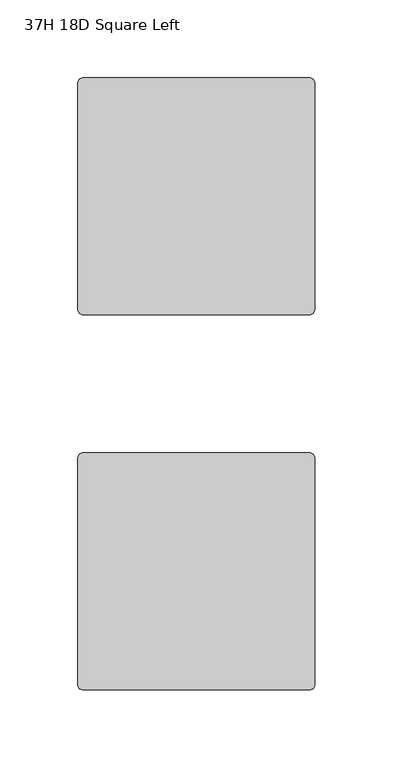
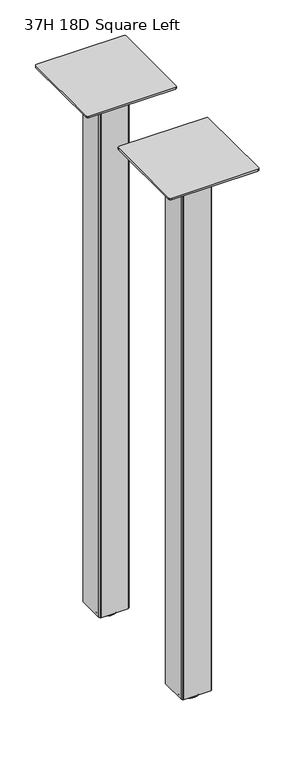
"""IFC4 building model written with IfcOpenShell, lengths in millimetres: furniture geometry, 37H 18D Square Left."""

from ifc_helpers import new_model, si_unit, frame, origin, place, context, project, spatial, polyline, circle_curve, outline, extrude, source, transform, mapped, element, save
from ifc_brep_helpers import plane_surface, cylinder_surface, revolved_surface, advanced_brep


def furniture_37h_18d_square_left_2cfb2e53(model_context):
    return source(origin(), model_context, "Body", "SolidModel", [
        extrude(outline(polyline([(82.5508751, -130.809957), (82.5508751, -85.0899643), (83.2948249, -83.2939256), (85.0907849, -82.550003), (130.8109622, -82.550003), (132.6069222, -83.2939256), (133.350872, -85.0899643), (133.350872, -130.809957), (132.6069222, -132.606032), (130.8107429, -133.3500091), (85.0910042, -133.3500091), (83.2948249, -132.606032), (82.5508751, -130.809957)])), frame((0.0, 0.0, 10.1608624), z_axis=(0.0, 0.0, 1.0), x_axis=(1.0, 0.0, 0.0)), (0.0, 0.0, 1.0), 939.292),
        extrude(outline(polyline([(82.5508751, -372.1099865), (82.5508751, -326.3899938), (83.2948249, -324.5939552), (85.0907849, -323.8500326), (130.8109622, -323.8500326), (132.6069222, -324.5939552), (133.350872, -326.3899938), (133.350872, -372.1099865), (132.6069222, -373.9060615), (130.8107429, -374.6500386), (85.0910042, -374.6500386), (83.2948249, -373.9060615), (82.5508751, -372.1099865)])), frame((0.0, 0.0, 10.1608624), z_axis=(0.0, 0.0, 1.0), x_axis=(1.0, 0.0, 0.0)), (0.0, 0.0, 1.0), 939.292),
        extrude(outline(polyline([(31.7508849, -276.0980259), (32.6436243, -273.9427636), (34.7988843, -273.0500265), (181.102881, -273.0500265), (183.2581455, -273.9427636), (184.1508781, -276.0980259), (184.1508781, -422.4020271), (183.2581455, -424.5572917), (181.1029194, -425.4500083), (34.7988459, -425.4500083), (32.6436243, -424.5572917), (31.7508849, -422.4020271), (31.7508849, -276.0980259)])), frame((0.0, 0.0, 949.4528623), z_axis=(0.0, 0.0, 1.0), x_axis=(1.0, 0.0, 0.0)), (0.0, 0.0, 1.0), 3.048),
        advanced_brep(
        [(107.9508872, -349.2500356, 11.1759893), (119.1268856, -349.2500356, 11.1759893), (96.7748888, -349.2500356, 11.1759893), (95.2064298, -349.2500356, 0.0), (120.6953446, -349.2500356, 0.0), (107.9508872, -349.2500356, 0.0), (92.111765, -349.2500356, 0.4083326), (123.7900094, -349.2500356, 0.4083326), (90.7852289, -349.2500356, 2.0055462), (125.1165454, -349.2500356, 2.0055462), (90.7852289, -349.2500356, 4.3444296), (125.1165454, -349.2500356, 4.3444296), (92.111765, -349.2500356, 5.9416431), (123.7900094, -349.2500356, 5.9416431), (93.6849338, -349.2500356, 6.3499758), (122.2168405, -349.2500356, 6.3499758), (96.7748888, -349.2500356, 6.3499758), (119.1268856, -349.2500356, 6.3499758)],
        [
            (0, 1),
            (1, 2, circle_curve(frame((107.9508872, -349.2500356, 11.1759893), z_axis=(0.0, 0.0, 1.0), x_axis=(1.0, 0.0, 0.0)), 11.1759984)),
            (2, 0),
            (2, 1, circle_curve(frame((107.9508872, -349.2500356, 11.1759893), z_axis=(0.0, 0.0, 1.0), x_axis=(1.0, 0.0, 0.0)), 11.1759984)),
            (3, 4, circle_curve(frame((107.9508872, -349.2500356, 0.0), z_axis=(0.0, 0.0, -1.0), x_axis=(1.0, 0.0, 0.0)), 12.7444574)),
            (4, 5),
            (5, 3),
            (4, 3, circle_curve(frame((107.9508872, -349.2500356, 0.0), z_axis=(0.0, 0.0, -1.0), x_axis=(1.0, 0.0, 0.0)), 12.7444574)),
            (6, 7, circle_curve(frame((107.9508872, -349.2500356, 0.4083326), z_axis=(0.0, 0.0, -1.0), x_axis=(1.0, 0.0, 0.0)), 15.8391222)),
            (7, 4),
            (3, 6),
            (7, 6, circle_curve(frame((107.9508872, -349.2500356, 0.4083326), z_axis=(0.0, 0.0, -1.0), x_axis=(1.0, 0.0, 0.0)), 15.8391222)),
            (8, 9, circle_curve(frame((107.9508872, -349.2500356, 2.0055462), z_axis=(0.0, 0.0, -1.0), x_axis=(1.0, 0.0, 0.0)), 17.1656583)),
            (9, 7),
            (6, 8),
            (9, 8, circle_curve(frame((107.9508872, -349.2500356, 2.0055462), z_axis=(0.0, 0.0, -1.0), x_axis=(1.0, 0.0, 0.0)), 17.1656583)),
            (10, 11, circle_curve(frame((107.9508872, -349.2500356, 4.3444296), z_axis=(0.0, 0.0, -1.0), x_axis=(1.0, 0.0, 0.0)), 17.1656583)),
            (11, 9),
            (8, 10),
            (11, 10, circle_curve(frame((107.9508872, -349.2500356, 4.3444296), z_axis=(0.0, 0.0, -1.0), x_axis=(1.0, 0.0, 0.0)), 17.1656583)),
            (12, 13, circle_curve(frame((107.9508872, -349.2500356, 5.9416431), z_axis=(0.0, 0.0, -1.0), x_axis=(1.0, 0.0, 0.0)), 15.8391222)),
            (13, 11),
            (10, 12),
            (13, 12, circle_curve(frame((107.9508872, -349.2500356, 5.9416431), z_axis=(0.0, 0.0, -1.0), x_axis=(1.0, 0.0, 0.0)), 15.8391222)),
            (14, 15, circle_curve(frame((107.9508872, -349.2500356, 6.3499758), z_axis=(0.0, 0.0, -1.0), x_axis=(1.0, 0.0, 0.0)), 14.2659534)),
            (15, 13),
            (12, 14),
            (15, 14, circle_curve(frame((107.9508872, -349.2500356, 6.3499758), z_axis=(0.0, 0.0, -1.0), x_axis=(1.0, 0.0, 0.0)), 14.2659534)),
            (16, 17, circle_curve(frame((107.9508872, -349.2500356, 6.3499758), z_axis=(0.0, 0.0, -1.0), x_axis=(1.0, 0.0, 0.0)), 11.1759984)),
            (17, 15),
            (14, 16),
            (17, 16, circle_curve(frame((107.9508872, -349.2500356, 6.3499758), z_axis=(0.0, 0.0, -1.0), x_axis=(1.0, 0.0, 0.0)), 11.1759984)),
            (1, 17),
            (16, 2),
        ],
        [
            plane_surface(frame((107.9508872, -349.2500356, 11.1759893), z_axis=(0.0, 0.0, 1.0), x_axis=(1.0, 0.0, 0.0))),
            plane_surface(frame((107.9508872, -349.2500356, 0.0), z_axis=(0.0, 0.0, -1.0), x_axis=(1.0, 0.0, 0.0))),
            revolved_surface(polyline([(120.6953446, -349.2500356, 0.0), (123.7900094, -349.2500356, 0.4083326)]), (107.9508872, -349.2500356, 11.1759893), (0.0, 0.0, 1.0)),
            revolved_surface(polyline([(123.7900094, -349.2500356, 0.4083326), (125.1165454, -349.2500356, 2.0055462)]), (107.9508872, -349.2500356, 11.1759893), (0.0, 0.0, 1.0)),
            cylinder_surface(frame((107.9508872, -349.2500356, 11.1759893), z_axis=(0.0, 0.0, 1.0), x_axis=(1.0, 0.0, 0.0)), 17.1656583),
            revolved_surface(polyline([(125.1165454, -349.2500356, 4.3444296), (123.7900094, -349.2500356, 5.9416431)]), (107.9508872, -349.2500356, 11.1759893), (0.0, 0.0, 1.0)),
            revolved_surface(polyline([(123.7900094, -349.2500356, 5.9416431), (122.2168405, -349.2500356, 6.3499758)]), (107.9508872, -349.2500356, 11.1759893), (0.0, 0.0, 1.0)),
            plane_surface(frame((107.9508872, -349.2500356, 6.3499758), z_axis=(0.0, 0.0, 1.0), x_axis=(1.0, 0.0, 0.0))),
            cylinder_surface(frame((107.9508872, -349.2500356, 11.1759893), z_axis=(0.0, 0.0, 1.0), x_axis=(1.0, 0.0, 0.0)), 11.1759984),
        ],
        [
            (0, [[1, 2, 3]]),
            (0, [[-3, 4, -1]]),
            (1, [[5, 6, 7]]),
            (1, [[8, -7, -6]]),
            (2, [[9, 10, -5, 11]]),
            (2, [[12, -11, -8, -10]]),
            (3, [[13, 14, -9, 15]]),
            (3, [[16, -15, -12, -14]]),
            (4, [[17, 18, -13, 19]]),
            (4, [[20, -19, -16, -18]]),
            (5, [[21, 22, -17, 23]]),
            (5, [[24, -23, -20, -22]]),
            (6, [[25, 26, -21, 27]]),
            (6, [[28, -27, -24, -26]]),
            (7, [[29, 30, -25, 31]]),
            (7, [[32, -31, -28, -30]]),
            (8, [[-2, 33, -29, 34]]),
            (8, [[-4, -34, -32, -33]]),
        ],
    ),
        advanced_brep(
        [(107.9508872, -107.9500061, 11.1759893), (119.1268856, -107.9500061, 11.1759893), (96.7748888, -107.9500061, 11.1759893), (95.2064298, -107.9500061, 0.0), (120.6953446, -107.9500061, 0.0), (107.9508872, -107.9500061, 0.0), (92.111765, -107.9500061, 0.4083326), (123.7900094, -107.9500061, 0.4083326), (90.7852289, -107.9500061, 2.0055462), (125.1165454, -107.9500061, 2.0055462), (90.7852289, -107.9500061, 4.3444296), (125.1165454, -107.9500061, 4.3444296), (92.111765, -107.9500061, 5.9416431), (123.7900094, -107.9500061, 5.9416431), (93.6849338, -107.9500061, 6.3499758), (122.2168405, -107.9500061, 6.3499758), (96.7748888, -107.9500061, 6.3499758), (119.1268856, -107.9500061, 6.3499758)],
        [
            (0, 1),
            (1, 2, circle_curve(frame((107.9508872, -107.9500061, 11.1759893), z_axis=(0.0, 0.0, 1.0), x_axis=(1.0, 0.0, 0.0)), 11.1759984)),
            (2, 0),
            (2, 1, circle_curve(frame((107.9508872, -107.9500061, 11.1759893), z_axis=(0.0, 0.0, 1.0), x_axis=(1.0, 0.0, 0.0)), 11.1759984)),
            (3, 4, circle_curve(frame((107.9508872, -107.9500061, 0.0), z_axis=(0.0, 0.0, -1.0), x_axis=(1.0, 0.0, 0.0)), 12.7444574)),
            (4, 5),
            (5, 3),
            (4, 3, circle_curve(frame((107.9508872, -107.9500061, 0.0), z_axis=(0.0, 0.0, -1.0), x_axis=(1.0, 0.0, 0.0)), 12.7444574)),
            (6, 7, circle_curve(frame((107.9508872, -107.9500061, 0.4083326), z_axis=(0.0, 0.0, -1.0), x_axis=(1.0, 0.0, 0.0)), 15.8391222)),
            (7, 4),
            (3, 6),
            (7, 6, circle_curve(frame((107.9508872, -107.9500061, 0.4083326), z_axis=(0.0, 0.0, -1.0), x_axis=(1.0, 0.0, 0.0)), 15.8391222)),
            (8, 9, circle_curve(frame((107.9508872, -107.9500061, 2.0055462), z_axis=(0.0, 0.0, -1.0), x_axis=(1.0, 0.0, 0.0)), 17.1656583)),
            (9, 7),
            (6, 8),
            (9, 8, circle_curve(frame((107.9508872, -107.9500061, 2.0055462), z_axis=(0.0, 0.0, -1.0), x_axis=(1.0, 0.0, 0.0)), 17.1656583)),
            (10, 11, circle_curve(frame((107.9508872, -107.9500061, 4.3444296), z_axis=(0.0, 0.0, -1.0), x_axis=(1.0, 0.0, 0.0)), 17.1656583)),
            (11, 9),
            (8, 10),
            (11, 10, circle_curve(frame((107.9508872, -107.9500061, 4.3444296), z_axis=(0.0, 0.0, -1.0), x_axis=(1.0, 0.0, 0.0)), 17.1656583)),
            (12, 13, circle_curve(frame((107.9508872, -107.9500061, 5.9416431), z_axis=(0.0, 0.0, -1.0), x_axis=(1.0, 0.0, 0.0)), 15.8391222)),
            (13, 11),
            (10, 12),
            (13, 12, circle_curve(frame((107.9508872, -107.9500061, 5.9416431), z_axis=(0.0, 0.0, -1.0), x_axis=(1.0, 0.0, 0.0)), 15.8391222)),
            (14, 15, circle_curve(frame((107.9508872, -107.9500061, 6.3499758), z_axis=(0.0, 0.0, -1.0), x_axis=(1.0, 0.0, 0.0)), 14.2659534)),
            (15, 13),
            (12, 14),
            (15, 14, circle_curve(frame((107.9508872, -107.9500061, 6.3499758), z_axis=(0.0, 0.0, -1.0), x_axis=(1.0, 0.0, 0.0)), 14.2659534)),
            (16, 17, circle_curve(frame((107.9508872, -107.9500061, 6.3499758), z_axis=(0.0, 0.0, -1.0), x_axis=(1.0, 0.0, 0.0)), 11.1759984)),
            (17, 15),
            (14, 16),
            (17, 16, circle_curve(frame((107.9508872, -107.9500061, 6.3499758), z_axis=(0.0, 0.0, -1.0), x_axis=(1.0, 0.0, 0.0)), 11.1759984)),
            (1, 17),
            (16, 2),
        ],
        [
            plane_surface(frame((107.9508872, -107.9500061, 11.1759893), z_axis=(0.0, 0.0, 1.0), x_axis=(1.0, 0.0, 0.0))),
            plane_surface(frame((107.9508872, -107.9500061, 0.0), z_axis=(0.0, 0.0, -1.0), x_axis=(1.0, 0.0, 0.0))),
            revolved_surface(polyline([(120.6953446, -107.9500061, 0.0), (123.7900094, -107.9500061, 0.4083326)]), (107.9508872, -107.9500061, 11.1759893), (0.0, 0.0, 1.0)),
            revolved_surface(polyline([(123.7900094, -107.9500061, 0.4083326), (125.1165454, -107.9500061, 2.0055462)]), (107.9508872, -107.9500061, 11.1759893), (0.0, 0.0, 1.0)),
            cylinder_surface(frame((107.9508872, -107.9500061, 11.1759893), z_axis=(0.0, 0.0, 1.0), x_axis=(1.0, 0.0, 0.0)), 17.1656583),
            revolved_surface(polyline([(125.1165454, -107.9500061, 4.3444296), (123.7900094, -107.9500061, 5.9416431)]), (107.9508872, -107.9500061, 11.1759893), (0.0, 0.0, 1.0)),
            revolved_surface(polyline([(123.7900094, -107.9500061, 5.9416431), (122.2168405, -107.9500061, 6.3499758)]), (107.9508872, -107.9500061, 11.1759893), (0.0, 0.0, 1.0)),
            plane_surface(frame((107.9508872, -107.9500061, 6.3499758), z_axis=(0.0, 0.0, 1.0), x_axis=(1.0, 0.0, 0.0))),
            cylinder_surface(frame((107.9508872, -107.9500061, 11.1759893), z_axis=(0.0, 0.0, 1.0), x_axis=(1.0, 0.0, 0.0)), 11.1759984),
        ],
        [
            (0, [[1, 2, 3]]),
            (0, [[-3, 4, -1]]),
            (1, [[5, 6, 7]]),
            (1, [[8, -7, -6]]),
            (2, [[9, 10, -5, 11]]),
            (2, [[12, -11, -8, -10]]),
            (3, [[13, 14, -9, 15]]),
            (3, [[16, -15, -12, -14]]),
            (4, [[17, 18, -13, 19]]),
            (4, [[20, -19, -16, -18]]),
            (5, [[21, 22, -17, 23]]),
            (5, [[24, -23, -20, -22]]),
            (6, [[25, 26, -21, 27]]),
            (6, [[28, -27, -24, -26]]),
            (7, [[29, 30, -25, 31]]),
            (7, [[32, -31, -28, -30]]),
            (8, [[-2, 33, -29, 34]]),
            (8, [[-4, -34, -32, -33]]),
        ],
    ),
        extrude(outline(polyline([(31.7508849, -34.7980077), (32.6436243, -32.6427454), (34.7988843, -31.7500083), (181.102881, -31.7500083), (183.2581455, -32.6427454), (184.1508781, -34.7980077), (184.1508781, -181.102009), (183.2581455, -183.2572735), (181.102881, -184.1500061), (34.7988843, -184.1500061), (32.6436243, -183.2572735), (31.7508849, -181.102009), (31.7508849, -34.7980077)])), frame((0.0, 0.0, 949.4528623), z_axis=(0.0, 0.0, 1.0), x_axis=(1.0, 0.0, 0.0)), (0.0, 0.0, 1.0), 3.048),
    ])


if __name__ == "__main__":
    model = new_model("IFC4")
    model_context = context("Model", 3, world=origin())
    ifc_project = project(units=[si_unit("LENGTHUNIT", "METRE", prefix="MILLI")], contexts=[model_context])
    site = spatial("IfcSite", under=ifc_project)
    building = spatial("IfcBuilding", under=site)
    placement = place(None, origin())
    furniture_37h_18d_square_left_shape = furniture_37h_18d_square_left_2cfb2e53(model_context)
    element("IfcFurniture", 1, ObjectType="37H 18D Square Left", at=placement, inside=building, context=model_context, shape_type="MappedRepresentation", body=[
        mapped(furniture_37h_18d_square_left_shape, transform((0.0, 0.0, 0.0), x_axis=(1.0, 0.0, 0.0), y_axis=(0.0, 1.0, 0.0), z_axis=(0.0, 0.0, 1.0))),
    ])
    save(model, "model.ifc")
